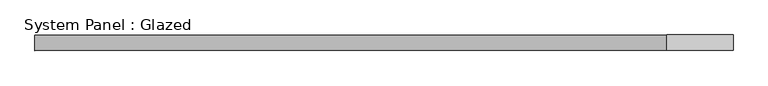
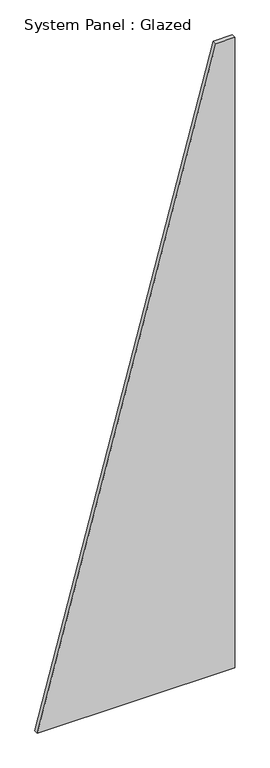
"""IFC4 building model written with IfcOpenShell, lengths in millimetres: plate geometry, System Panel : Glazed."""

from ifc_helpers import new_model, si_unit, frame, origin, place, context, project, spatial, polyline, outline, extrude, source, transform, mapped, element, save


def system_panel_glazed_3326b494(model_context):
    return source(origin(), model_context, "Body", "SweptSolid", [
        extrude(outline(polyline([(0.0, -569.9959446), (0.0, 569.9959446), (3850.0, 569.9959446), (3850.0, 461.6084463), (0.0, -569.9959446)])), frame((0.0, -22.5, 0.0), z_axis=(0.0, 1.0, 0.0), x_axis=(0.0, 0.0, 1.0)), (0.0, 0.0, 1.0), 25.0),
    ])


if __name__ == "__main__":
    model = new_model("IFC4")
    model_context = context("Model", 3, world=origin())
    ifc_project = project(units=[si_unit("LENGTHUNIT", "METRE", prefix="MILLI")], contexts=[model_context])
    site = spatial("IfcSite", under=ifc_project)
    building = spatial("IfcBuilding", under=site)
    placement = place(None, origin())
    system_panel_glazed_shape = system_panel_glazed_3326b494(model_context)
    element("IfcPlate", 1, ObjectType="System Panel : Glazed", at=placement, inside=building, context=model_context, shape_type="MappedRepresentation", body=[
        mapped(system_panel_glazed_shape, transform((0.0, 0.0, 0.0), x_axis=(1.0, 0.0, 0.0), y_axis=(0.0, 1.0, 0.0), z_axis=(0.0, 0.0, 1.0))),
    ])
    save(model, "model.ifc")
